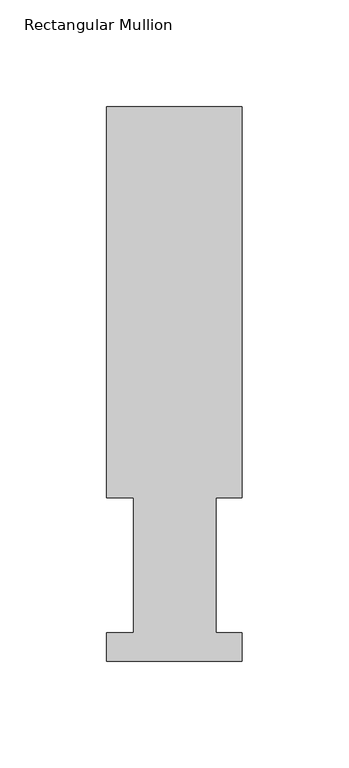
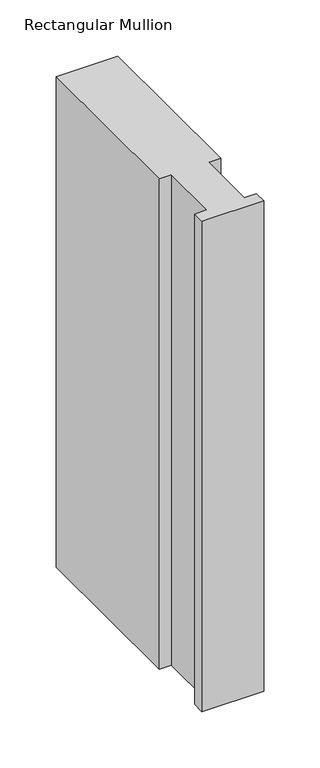
"""IFC4 building model written with IfcOpenShell, lengths in millimetres: member geometry, Rectangular Mullion."""

from ifc_helpers import new_model, si_unit, frame, origin, place, context, project, spatial, polyline, outline, extrude, source, transform, mapped, element, save


def rectangular_mullion_340d8dab(model_context):
    return source(origin(), model_context, "Body", "SweptSolid", [
        extrude(outline(polyline([(-63.5, 76.2992187), (-63.5, 259.4591074), (0.0, 259.4591074), (0.0, 76.2992187), (-12.3418395, 76.2992187), (-12.3418395, 13.1492189), (0.0, 13.1492189), (0.0, -0.0333811), (-63.5, -0.0333811), (-63.5, 13.1492189), (-50.8, 13.1492189), (-50.8, 76.2992187), (-63.5, 76.2992187)])), frame((0.0, 0.0, -532.8581303), z_axis=(0.0, 0.0, 1.0), x_axis=(1.0, 0.0, 0.0)), (0.0, 0.0, 1.0), 532.8581303),
    ])


if __name__ == "__main__":
    model = new_model("IFC4")
    model_context = context("Model", 3, world=origin())
    ifc_project = project(units=[si_unit("LENGTHUNIT", "METRE", prefix="MILLI")], contexts=[model_context])
    site = spatial("IfcSite", under=ifc_project)
    building = spatial("IfcBuilding", under=site)
    placement = place(None, origin())
    rectangular_mullion_shape = rectangular_mullion_340d8dab(model_context)
    element("IfcMember", 1, ObjectType="Rectangular Mullion", at=placement, inside=building, context=model_context, shape_type="MappedRepresentation", body=[
        mapped(rectangular_mullion_shape, transform((0.0, 0.0, 0.0), x_axis=(1.0, 0.0, 0.0), y_axis=(0.0, 1.0, 0.0), z_axis=(0.0, 0.0, 1.0))),
    ])
    save(model, "model.ifc")
